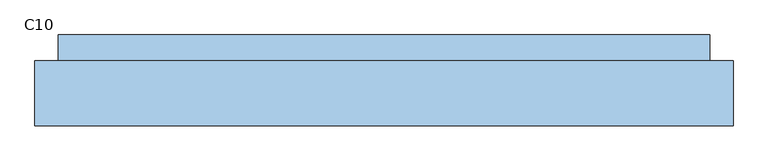
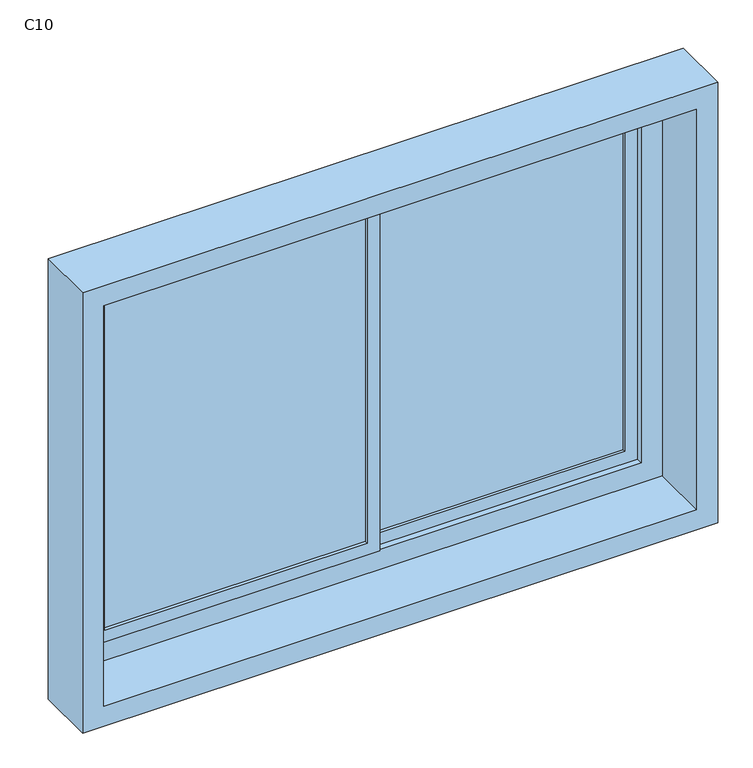
"""IFC4 building model written with IfcOpenShell, lengths in millimetres: window geometry, C10."""

from ifc_helpers import new_model, si_unit, frame, origin, place, context, project, spatial, polyline, outline, extrude, source, transform, mapped, element, save


def c10_b2aff6e6(model_context):
    return source(origin(), model_context, "Body", "SweptSolid", [
        extrude(outline(polyline([(0.0, -13.0), (-620.0, -13.0), (-620.0, -7.0), (0.0, -7.0), (0.0, -13.0)])), frame((0.0, 0.0, 880.0), z_axis=(0.0, 0.0, 1.0), x_axis=(1.0, 0.0, 0.0)), (0.0, 0.0, 1.0), 840.0),
        extrude(outline(polyline([(620.0, 7.0), (30.0, 7.0), (30.0, 13.0), (620.0, 13.0), (620.0, 7.0)])), frame((0.0, 0.0, 880.0), z_axis=(0.0, 0.0, 1.0), x_axis=(1.0, 0.0, 0.0)), (0.0, 0.0, 1.0), 840.0),
        extrude(outline(polyline([(1750.0, 0.0), (850.0, 0.0), (850.0, 650.0), (1750.0, 650.0), (1750.0, 0.0)]), holes=[polyline([(1720.0, 620.0), (880.0, 620.0), (880.0, 30.0), (1720.0, 30.0), (1720.0, 620.0)])]), frame((0.0, 0.0, 0.0), z_axis=(0.0, 1.0, 0.0), x_axis=(0.0, 0.0, 1.0)), (0.0, 0.0, 1.0), 20.0),
        extrude(outline(polyline([(1750.0, -650.0), (850.0, -650.0), (850.0, 30.0), (1750.0, 30.0), (1750.0, -650.0)]), holes=[polyline([(1720.0, 0.0), (880.0, 0.0), (880.0, -620.0), (1720.0, -620.0), (1720.0, 0.0)])]), frame((0.0, -20.0, 0.0), z_axis=(0.0, 1.0, 0.0), x_axis=(0.0, 0.0, 1.0)), (0.0, 0.0, 1.0), 20.0),
        extrude(outline(polyline([(1800.0, -700.0), (800.0, -700.0), (800.0, 700.0), (1800.0, 700.0), (1800.0, -700.0)]), holes=[polyline([(1750.0, 650.0), (850.0, 650.0), (850.0, -650.0), (1750.0, -650.0), (1750.0, 650.0)])]), frame((0.0, -15.0, 0.0), z_axis=(0.0, 1.0, 0.0), x_axis=(0.0, 0.0, 1.0)), (0.0, 0.0, 1.0), 55.0),
        extrude(outline(polyline([(1850.0, -750.0), (750.0, -750.0), (750.0, 750.0), (1850.0, 750.0), (1850.0, -750.0)]), holes=[polyline([(1800.0, 700.0), (800.0, 700.0), (800.0, -700.0), (1800.0, -700.0), (1800.0, 700.0)])]), frame((0.0, -155.0, 0.0), z_axis=(0.0, 1.0, 0.0), x_axis=(0.0, 0.0, 1.0)), (0.0, 0.0, 1.0), 140.0),
    ])


if __name__ == "__main__":
    model = new_model("IFC4")
    model_context = context("Model", 3, world=origin())
    ifc_project = project(units=[si_unit("LENGTHUNIT", "METRE", prefix="MILLI")], contexts=[model_context])
    site = spatial("IfcSite", under=ifc_project)
    building = spatial("IfcBuilding", under=site)
    placement = place(None, origin())
    c10_shape = c10_b2aff6e6(model_context)
    element("IfcWindow", 1, ObjectType="C10", at=placement, inside=building, context=model_context, shape_type="MappedRepresentation", body=[
        mapped(c10_shape, transform((0.0, 0.0, 0.0), x_axis=(1.0, 0.0, 0.0), y_axis=(0.0, 1.0, 0.0), z_axis=(0.0, 0.0, 1.0))),
    ])
    save(model, "model.ifc")
